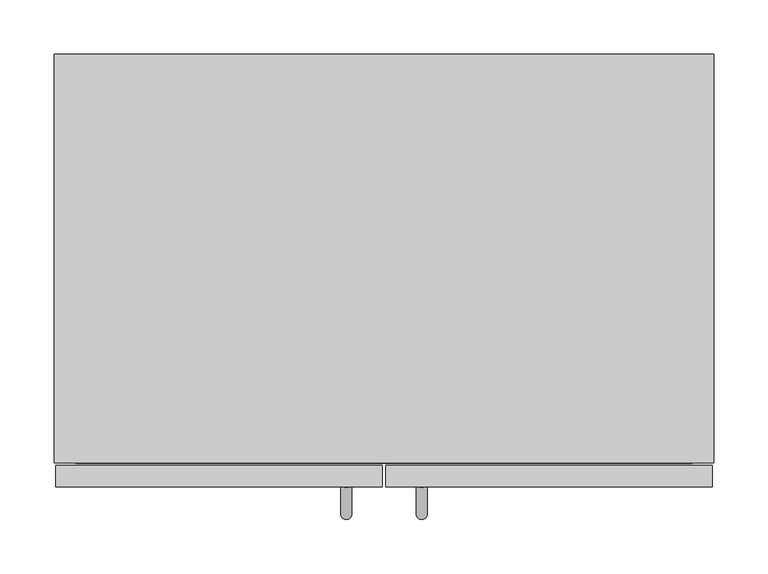
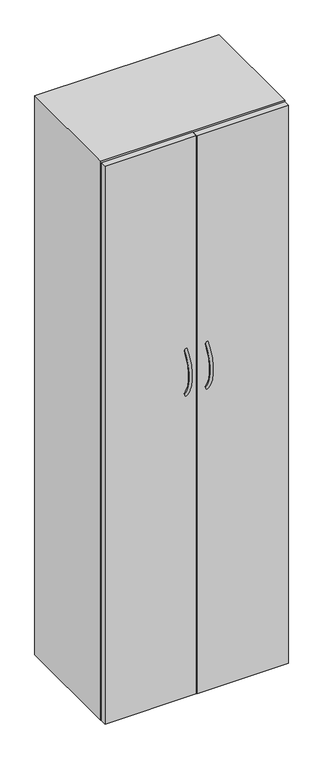
"""IFC4 building model written with IfcOpenShell, lengths in millimetres: furniture geometry."""

from ifc_helpers import new_model, si_unit, point, frame, frame_2d, origin, origin_with_axes, place, context, project, spatial, polyline, circle_curve, ellipse_curve, trimmed, segment, composite_curve, outline, extrude, faceted_brep, source, transform, mapped, element, save
from ifc_brep_helpers import plane_surface, revolved_surface, advanced_brep


def furniture_66c8a11f(model_context):
    return source(origin(), model_context, "Body", "SolidModel", [
        extrude(outline(polyline([(589.4326263, -377.952), (20.1673737, -377.952), (20.1673737, -20.1676), (589.4326263, -20.1676), (589.4326263, -377.952)])), frame((0.0, 0.0, 1327.9373999), z_axis=(0.0, 0.0, 1.0), x_axis=(1.0, 0.0, 0.0)), (0.0, 0.0, 1.0), 20.1675917),
        extrude(outline(polyline([(589.4326263, -377.952), (20.1673737, -377.952), (20.1673737, -20.1676), (589.4326263, -20.1676), (589.4326263, -377.952)])), frame((0.0, 0.0, 1016.3047997), z_axis=(0.0, 0.0, 1.0), x_axis=(1.0, 0.0, 0.0)), (0.0, 0.0, 1.0), 20.1675917),
        extrude(outline(polyline([(589.4326263, -377.952), (20.1673737, -377.952), (20.1673737, -20.1676), (589.4326263, -20.1676), (589.4326263, -377.952)])), frame((0.0, 0.0, 704.6721996), z_axis=(0.0, 0.0, 1.0), x_axis=(1.0, 0.0, 0.0)), (0.0, 0.0, 1.0), 20.1675917),
        extrude(outline(polyline([(589.4326263, -377.952), (20.1673737, -377.952), (20.1673737, -20.1676), (589.4326263, -20.1676), (589.4326263, -377.952)])), frame((0.0, 0.0, 1639.57), z_axis=(0.0, 0.0, 1.0), x_axis=(1.0, 0.0, 0.0)), (0.0, 0.0, 1.0), 20.1675917),
        extrude(outline(polyline([(589.4326263, -377.952), (20.1673737, -377.952), (20.1673737, -20.1676), (589.4326263, -20.1676), (589.4326263, -377.952)])), frame((0.0, 0.0, 393.0395994), z_axis=(0.0, 0.0, 1.0), x_axis=(1.0, 0.0, 0.0)), (0.0, 0.0, 1.0), 20.1675917),
        advanced_brep(
        [(275.0586508, -396.8646792, 1229.6885513), (264.8986508, -396.8646792, 1229.6885513), (275.0586508, -396.8646792, 1070.3869635), (264.8986508, -396.8646792, 1070.3869635)],
        [
            (0, 1, circle_curve(frame((269.9786508, -396.8646792, 1229.6885513), z_axis=(0.0, 0.6426617002147492, 0.7661500760798029), x_axis=(-1.0, 0.0, 0.0)), 5.08)),
            (1, 0, circle_curve(frame((269.9786508, -396.8646792, 1229.6885513), z_axis=(0.0, 0.6426617002147492, 0.7661500760798029), x_axis=(-1.0, 0.0, 0.0)), 5.08)),
            (2, 3, circle_curve(frame((269.9786508, -396.8646792, 1070.3869635), z_axis=(0.0, 0.642661700214741, -0.7661500760798098), x_axis=(-1.0, 0.0, 0.0)), 5.08)),
            (3, 2, circle_curve(frame((269.9786508, -396.8646792, 1070.3869635), z_axis=(0.0, 0.642661700214741, -0.7661500760798098), x_axis=(-1.0, 0.0, 0.0)), 5.08)),
            (3, 1, circle_curve(frame((264.8986508, -301.90887, 1150.0377574), z_axis=(-1.0, 0.0, 0.0), x_axis=(0.0, -0.7661500760798029, 0.6426617002147492)), 123.9389151)),
            (0, 2, circle_curve(frame((275.0586508, -301.90887, 1150.0377574), z_axis=(1.0, 0.0, 0.0), x_axis=(0.0, -0.7661500760798029, 0.6426617002147492)), 123.9389151)),
        ],
        [
            plane_surface(frame((304.8, -400.3802124, 1232.6374494), z_axis=(0.0, 0.6426617002147492, 0.7661500760798029), x_axis=(-1.0, 0.0, 0.0))),
            plane_surface(frame((304.8, -400.3802124, 1067.4380653), z_axis=(0.0, 0.642661700214741, -0.7661500760798098), x_axis=(-1.0, 0.0, 0.0))),
            revolved_surface(trimmed(ellipse_curve(frame((269.9786508, -396.8646792, 1229.6885513), z_axis=(0.0, 0.6426617002147492, 0.7661500760798029), x_axis=(-1.0, 0.0, 0.0)), 5.08, 5.08), [point((275.0586508, -396.8646792, 1229.6885513))], [point((264.8986508, -396.8646792, 1229.6885513))], True, "CARTESIAN"), (304.8, -301.90887, 1150.0377574), (1.0, 0.0, 0.0)),
            revolved_surface(trimmed(ellipse_curve(frame((269.9786508, -396.8646792, 1229.6885513), z_axis=(0.0, 0.6426617002147492, 0.7661500760798029), x_axis=(-1.0, 0.0, 0.0)), 5.08, 5.08), [point((264.8986508, -396.8646792, 1229.6885513))], [point((275.0586508, -396.8646792, 1229.6885513))], True, "CARTESIAN"), (304.8, -301.90887, 1150.0377574), (1.0, 0.0, 0.0)),
        ],
        [
            (0, [[1, 2]]),
            (1, [[3, 4]]),
            (2, [[5, -1, 6, -4]]),
            (3, [[-6, -2, -5, -3]]),
        ],
    ),
        advanced_brep(
        [(344.7013492, -396.8646792, 1229.6885513), (334.5413492, -396.8646792, 1229.6885513), (344.7013492, -396.8646792, 1070.3869635), (334.5413492, -396.8646792, 1070.3869635)],
        [
            (0, 1, circle_curve(frame((339.6213492, -396.8646792, 1229.6885513), z_axis=(0.0, 0.6426617002147492, 0.7661500760798029), x_axis=(-1.0, 0.0, 0.0)), 5.08)),
            (1, 0, circle_curve(frame((339.6213492, -396.8646792, 1229.6885513), z_axis=(0.0, 0.6426617002147492, 0.7661500760798029), x_axis=(-1.0, 0.0, 0.0)), 5.08)),
            (2, 3, circle_curve(frame((339.6213492, -396.8646792, 1070.3869635), z_axis=(0.0, 0.642661700214741, -0.7661500760798098), x_axis=(-1.0, 0.0, 0.0)), 5.08)),
            (3, 2, circle_curve(frame((339.6213492, -396.8646792, 1070.3869635), z_axis=(0.0, 0.642661700214741, -0.7661500760798098), x_axis=(-1.0, 0.0, 0.0)), 5.08)),
            (3, 1, circle_curve(frame((334.5413492, -301.90887, 1150.0377574), z_axis=(-1.0, 0.0, 0.0), x_axis=(0.0, -0.7661500760798029, 0.6426617002147492)), 123.9389151)),
            (0, 2, circle_curve(frame((344.7013492, -301.90887, 1150.0377574), z_axis=(1.0, 0.0, 0.0), x_axis=(0.0, -0.7661500760798029, 0.6426617002147492)), 123.9389151)),
        ],
        [
            plane_surface(frame((304.8, -400.3802124, 1232.6374494), z_axis=(0.0, 0.6426617002147492, 0.7661500760798029), x_axis=(-1.0, 0.0, 0.0))),
            plane_surface(frame((304.8, -400.3802124, 1067.4380653), z_axis=(0.0, 0.642661700214741, -0.7661500760798098), x_axis=(-1.0, 0.0, 0.0))),
            revolved_surface(trimmed(ellipse_curve(frame((339.6213492, -396.8646792, 1229.6885513), z_axis=(0.0, 0.6426617002147492, 0.7661500760798029), x_axis=(-1.0, 0.0, 0.0)), 5.08, 5.08), [point((344.7013492, -396.8646792, 1229.6885513))], [point((334.5413492, -396.8646792, 1229.6885513))], True, "CARTESIAN"), (304.8, -301.90887, 1150.0377574), (1.0, 0.0, 0.0)),
            revolved_surface(trimmed(ellipse_curve(frame((339.6213492, -396.8646792, 1229.6885513), z_axis=(0.0, 0.6426617002147492, 0.7661500760798029), x_axis=(-1.0, 0.0, 0.0)), 5.08, 5.08), [point((334.5413492, -396.8646792, 1229.6885513))], [point((344.7013492, -396.8646792, 1229.6885513))], True, "CARTESIAN"), (304.8, -301.90887, 1150.0377574), (1.0, 0.0, 0.0)),
        ],
        [
            (0, [[1, 2]]),
            (1, [[3, 4]]),
            (2, [[5, -1, 6, -4]]),
            (3, [[-6, -2, -5, -3]]),
        ],
    ),
        extrude(outline(composite_curve([segment(trimmed(circle_curve(frame_2d((38.1315601, -337.0830653)), 15.24), [point((22.8915601, -337.0830653))], [point((53.3715601, -337.0830653))], False, "CARTESIAN"), True, "CONTINUOUS"), segment(trimmed(circle_curve(frame_2d((38.1315601, -337.0830653)), 15.24), [point((53.3715601, -337.0830653))], [point((22.8915601, -337.0830653))], False, "CARTESIAN"), True, "CONTINUOUS")], self_intersect=False)), origin_with_axes(), (0.0, 0.0, 1.0), 12.7000004),
        extrude(outline(composite_curve([segment(trimmed(circle_curve(frame_2d((571.5315601, -337.0830653)), 15.24), [point((556.2915601, -337.0830653))], [point((586.7715601, -337.0830653))], False, "CARTESIAN"), True, "CONTINUOUS"), segment(trimmed(circle_curve(frame_2d((571.5315601, -337.0830653)), 15.24), [point((586.7715601, -337.0830653))], [point((556.2915601, -337.0830653))], False, "CARTESIAN"), True, "CONTINUOUS")], self_intersect=False)), origin_with_axes(), (0.0, 0.0, 1.0), 12.7000004),
        extrude(outline(composite_curve([segment(trimmed(circle_curve(frame_2d((38.1315601, -38.6330653)), 15.24), [point((22.8915601, -38.6330653))], [point((53.3715601, -38.6330653))], False, "CARTESIAN"), True, "CONTINUOUS"), segment(trimmed(circle_curve(frame_2d((38.1315601, -38.6330653)), 15.24), [point((53.3715601, -38.6330653))], [point((22.8915601, -38.6330653))], False, "CARTESIAN"), True, "CONTINUOUS")], self_intersect=False)), origin_with_axes(), (0.0, 0.0, 1.0), 12.7000004),
        extrude(outline(composite_curve([segment(trimmed(circle_curve(frame_2d((571.5315601, -38.6330653)), 15.24), [point((556.2915601, -38.6330653))], [point((586.7715601, -38.6330653))], False, "CARTESIAN"), True, "CONTINUOUS"), segment(trimmed(circle_curve(frame_2d((571.5315601, -38.6330653)), 15.24), [point((586.7715601, -38.6330653))], [point((556.2915601, -38.6330653))], False, "CARTESIAN"), True, "CONTINUOUS")], self_intersect=False)), origin_with_axes(), (0.0, 0.0, 1.0), 12.7000004),
        extrude(outline(polyline([(303.3000916, -380.4930542), (303.3000916, -400.3802124), (1.4999084, -400.3802124), (1.4999084, -380.4930542), (303.3000916, -380.4930542)])), frame((0.0, 0.0, 12.7000004), z_axis=(0.0, 0.0, 1.0), x_axis=(1.0, 0.0, 0.0)), (0.0, 0.0, 1.0), 1952.8000374),
        extrude(outline(polyline([(608.1000916, -380.4930542), (608.1000916, -400.3802124), (306.2999084, -400.3802124), (306.2999084, -380.4930542), (608.1000916, -380.4930542)])), frame((0.0, 0.0, 12.7000004), z_axis=(0.0, 0.0, 1.0), x_axis=(1.0, 0.0, 0.0)), (0.0, 0.0, 1.0), 1952.8000374),
        faceted_brep([(20.1673737, -378.0027992, 92.7862), (589.4326263, -378.0027992, 92.7862), (589.4326263, -20.1676, 92.7862), (20.1673737, -20.1676, 92.7862), (609.6, 0.0, 12.7000004), (609.6, -378.0027992, 12.7000004), (0.0, -378.0027992, 12.7000004), (0.0, 0.0, 12.7000004), (0.0, -378.0027992, 1968.5), (609.6, -378.0027992, 1968.5), (20.1673737, -378.0027992, 1948.3324083), (589.4326263, -378.0027992, 1948.3324083), (609.6, 0.0, 1968.5), (0.0, 0.0, 1968.5), (20.1673737, -20.1676, 1948.3324083), (589.4326263, -20.1676, 1948.3324083)], [[[0, 1, 2, 3]], [[4, 5, 6, 7]], [[8, 6, 5, 9], [1, 0, 10, 11]], [[12, 13, 8, 9]], [[13, 12, 4, 7]], [[8, 13, 7, 6]], [[0, 3, 14, 10]], [[3, 2, 15, 14]], [[2, 1, 11, 15]], [[12, 9, 5, 4]], [[11, 10, 14, 15]]]),
    ])


if __name__ == "__main__":
    model = new_model("IFC4")
    model_context = context("Model", 3, world=origin())
    ifc_project = project(units=[si_unit("LENGTHUNIT", "METRE", prefix="MILLI")], contexts=[model_context])
    site = spatial("IfcSite", under=ifc_project)
    building = spatial("IfcBuilding", under=site)
    placement = place(None, origin())
    furniture_shape = furniture_66c8a11f(model_context)
    element("IfcFurniture", 1, at=placement, inside=building, context=model_context, shape_type="MappedRepresentation", body=[
        mapped(furniture_shape, transform((0.0, 0.0, 0.0), x_axis=(1.0, 0.0, 0.0), y_axis=(0.0, 1.0, 0.0), z_axis=(0.0, 0.0, 1.0))),
    ])
    save(model, "model.ifc")
